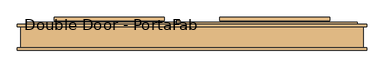
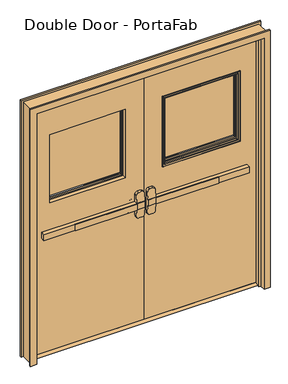
"""IFC4 building model written with IfcOpenShell, lengths in millimetres: door geometry, Double Door - PortaFab."""

from ifc_helpers import new_model, si_unit, point, frame, frame_2d, origin, place, context, project, spatial, polyline, circle_curve, ellipse_curve, trimmed, segment, composite_curve, outline, extrude, faceted_brep, source, transform, mapped, element, save
from ifc_brep_helpers import plane_surface, cylinder_surface, revolved_surface, advanced_brep


def double_door_portafab_c8f4be08(model_context):
    return source(origin(), model_context, "Body", "SolidModel", [
        extrude(outline(polyline([(-575.7333333, -17.4625), (-575.7333333, -11.1125), (-76.2, -11.1125), (-76.2, -17.4625), (-575.7333333, -17.4625)])), frame((0.0, 0.0, 990.6), z_axis=(0.0, 0.0, 1.0), x_axis=(1.0, 0.0, 0.0)), (0.0, 0.0, 1.0), 50.8),
        advanced_brep(
        [(-12.7, -11.1125, 1041.4), (-76.2, -11.1125, 1041.4), (-825.5, -11.1125, 1041.4), (-825.5, -11.1125, 990.6), (-76.2, -11.1125, 990.6), (-12.7, -11.1125, 990.6), (-825.5, 20.6375, 1041.4), (-76.2, 20.6375, 1041.4), (-76.2, 20.6375, 1104.9), (-57.15, 20.6375, 1123.95), (-31.75, 20.6375, 1123.95), (-12.7, 20.6375, 1104.9), (-12.7, 20.6375, 927.1), (-31.75, 20.6375, 908.05), (-57.15, 20.6375, 908.05), (-76.2, 20.6375, 927.1), (-76.2, 20.6375, 990.6), (-825.5, 20.6375, 990.6), (-12.7, -7.9372533, 1041.4), (-76.2, -7.9372533, 1041.4), (-12.7, -7.9372533, 990.6), (-12.7, -2.9270731, 927.1), (-12.7, -2.9270731, 1104.9), (-76.2, -7.9372533, 990.6), (-76.2, -2.9270731, 1104.9), (-76.2, -2.9270731, 927.1), (-57.15, -1.424019, 1123.95), (-31.75, -1.424019, 1123.95), (-31.75, -1.424019, 908.05), (-57.15, -1.424019, 908.05)],
        [
            (0, 1),
            (1, 2),
            (2, 3),
            (3, 4),
            (4, 5),
            (5, 0),
            (6, 7),
            (7, 8),
            (8, 9, circle_curve(frame((-57.15, 20.6375, 1104.9), z_axis=(0.0, 1.0, 0.0), x_axis=(-1.0, 0.0, 0.0)), 19.05)),
            (9, 10),
            (10, 11, circle_curve(frame((-31.75, 20.6375, 1104.9), z_axis=(0.0, 1.0, 0.0), x_axis=(-1.0, 0.0, 0.0)), 19.05)),
            (11, 12),
            (12, 13, circle_curve(frame((-31.75, 20.6375, 927.1), z_axis=(0.0, 1.0, 0.0), x_axis=(-1.0, 0.0, 0.0)), 19.05)),
            (13, 14),
            (14, 15, circle_curve(frame((-57.15, 20.6375, 927.1), z_axis=(0.0, 1.0, 0.0), x_axis=(-1.0, 0.0, 0.0)), 19.05)),
            (15, 16),
            (16, 17),
            (17, 6),
            (0, 18),
            (18, 19),
            (19, 7),
            (6, 2),
            (5, 20),
            (20, 21),
            (21, 12),
            (11, 22),
            (22, 18),
            (16, 23),
            (23, 20),
            (3, 17),
            (19, 24),
            (24, 8),
            (15, 25),
            (25, 23),
            (9, 26),
            (26, 27),
            (27, 10),
            (13, 28),
            (28, 29),
            (29, 14),
            (29, 25, ellipse_curve(frame((-57.15, -2.9270731, 927.1), z_axis=(0.0, 0.9969018152893365, 0.07865602756830282), x_axis=(0.0, -0.07865602756830208, 0.9969018152893365)), 19.1092038, 19.05)),
            (24, 26, ellipse_curve(frame((-57.15, -2.9270731, 1104.9), z_axis=(0.0, 0.9969018152893376, -0.07865602756828934), x_axis=(0.0, -0.078656027568288, -0.9969018152893377)), 19.1092038, 19.05)),
            (27, 22, ellipse_curve(frame((-31.75, -2.9270731, 1104.9), z_axis=(0.0, 0.9969018152893376, -0.07865602756828934), x_axis=(0.0, -0.078656027568288, -0.9969018152893377)), 19.1092038, 19.05)),
            (21, 28, ellipse_curve(frame((-31.75, -2.9270731, 927.1), z_axis=(0.0, 0.9969018152893365, 0.07865602756830282), x_axis=(0.0, -0.07865602756830208, 0.9969018152893365)), 19.1092038, 19.05)),
        ],
        [
            plane_surface(frame((-12.7, -11.1125, 1041.4), z_axis=(0.0, -1.0, 0.0), x_axis=(1.0, 0.0, 0.0))),
            plane_surface(frame((-12.7, 20.6375, 1041.4), z_axis=(0.0, 1.0, 0.0), x_axis=(-1.0, 0.0, 0.0))),
            plane_surface(frame((-825.5, -11.1125, 1041.4), z_axis=(0.0, 0.0, 1.0), x_axis=(0.0, 1.0, 0.0))),
            plane_surface(frame((-12.7, -11.1125, 1041.4), z_axis=(1.0, 0.0, 0.0), x_axis=(0.0, 1.0, 0.0))),
            plane_surface(frame((-12.7, -11.1125, 990.6), z_axis=(0.0, 0.0, -1.0), x_axis=(0.0, 1.0, 0.0))),
            plane_surface(frame((-825.5, -11.1125, 990.6), z_axis=(-1.0, 0.0, 0.0), x_axis=(0.0, 1.0, 0.0))),
            plane_surface(frame((-76.2, -7.9372533, 927.1), z_axis=(-1.0, 0.0, 0.0), x_axis=(0.0, 1.0, 0.0))),
            plane_surface(frame((-57.15, -7.9372533, 1123.95), z_axis=(0.0, 0.0, 1.0), x_axis=(0.0, 1.0, 0.0))),
            plane_surface(frame((-31.75, -7.9372533, 908.05), z_axis=(0.0, 0.0, -1.0), x_axis=(0.0, 1.0, 0.0))),
            cylinder_surface(frame((-57.15, 20.6375, 927.1), z_axis=(0.0, -1.0, 0.0), x_axis=(-1.0, 0.0, 0.0)), 19.05),
            cylinder_surface(frame((-57.15, 20.6375, 1104.9), z_axis=(0.0, -1.0, 0.0), x_axis=(-1.0, 0.0, 0.0)), 19.05),
            cylinder_surface(frame((-31.75, 20.6375, 1104.9), z_axis=(0.0, -1.0, 0.0), x_axis=(-1.0, 0.0, 0.0)), 19.05),
            cylinder_surface(frame((-31.75, 20.6375, 927.1), z_axis=(0.0, -1.0, 0.0), x_axis=(-1.0, 0.0, 0.0)), 19.05),
            plane_surface(frame((-76.2, -7.9372533, 1041.4), z_axis=(0.0, -0.9969018152893376, 0.07865602756828934), x_axis=(1.0, 0.0, 0.0))),
            plane_surface(frame((-76.2, -1.424019, 908.05), z_axis=(0.0, -0.9969018152893365, -0.07865602756830282), x_axis=(1.0, 0.0, 0.0))),
        ],
        [
            (0, [[1, 2, 3, 4, 5, 6]]),
            (1, [[7, 8, 9, 10, 11, 12, 13, 14, 15, 16, 17, 18]]),
            (2, [[-2, -1, 19, 20, 21, -7, 22]]),
            (3, [[23, 24, 25, -12, 26, 27, -19, -6]]),
            (4, [[-17, 28, 29, -23, -5, -4, 30]]),
            (5, [[-22, -18, -30, -3]]),
            (6, [[-21, 31, 32, -8]]),
            (6, [[33, 34, -28, -16]]),
            (7, [[35, 36, 37, -10]]),
            (8, [[38, 39, 40, -14]]),
            (9, [[-40, 41, -33, -15]]),
            (10, [[-32, 42, -35, -9]]),
            (11, [[-37, 43, -26, -11]]),
            (12, [[-25, 44, -38, -13]]),
            (13, [[-27, -43, -36, -42, -31, -20]]),
            (14, [[-29, -34, -41, -39, -44, -24]]),
        ],
    ),
        extrude(outline(polyline([(65.0875, 12.7), (90.4875, 0.0), (-4.7625, 0.0), (20.6375, 12.7), (65.0875, 12.7)])), frame((-914.4, 0.0, 0.0), z_axis=(1.0, 0.0, 0.0), x_axis=(0.0, 1.0, 0.0)), (0.0, 0.0, 1.0), 1828.8),
        extrude(outline(polyline([(575.7333333, -17.4625), (76.2, -17.4625), (76.2, -11.1125), (575.7333333, -11.1125), (575.7333333, -17.4625)])), frame((0.0, 0.0, 990.6), z_axis=(0.0, 0.0, 1.0), x_axis=(1.0, 0.0, 0.0)), (0.0, 0.0, 1.0), 50.8),
        advanced_brep(
        [(12.7, -11.1125, 1041.4), (12.7, -11.1125, 990.6), (76.2, -11.1125, 990.6), (825.5, -11.1125, 990.6), (825.5, -11.1125, 1041.4), (76.2, -11.1125, 1041.4), (825.5, 20.6375, 1041.4), (825.5, 20.6375, 990.6), (76.2, 20.6375, 990.6), (76.2, 20.6375, 927.1), (57.15, 20.6375, 908.05), (31.75, 20.6375, 908.05), (12.7, 20.6375, 927.1), (12.7, 20.6375, 1104.9), (31.75, 20.6375, 1123.95), (57.15, 20.6375, 1123.95), (76.2, 20.6375, 1104.9), (76.2, 20.6375, 1041.4), (76.2, -7.9372533, 1041.4), (12.7, -7.9372533, 1041.4), (12.7, -2.9270731, 1104.9), (12.7, -2.9270731, 927.1), (12.7, -7.9372533, 990.6), (76.2, -7.9372533, 990.6), (76.2, -2.9270731, 927.1), (76.2, -2.9270731, 1104.9), (31.75, -1.424019, 1123.95), (57.15, -1.424019, 1123.95), (57.15, -1.424019, 908.05), (31.75, -1.424019, 908.05)],
        [
            (0, 1),
            (1, 2),
            (2, 3),
            (3, 4),
            (4, 5),
            (5, 0),
            (6, 7),
            (7, 8),
            (8, 9),
            (9, 10, circle_curve(frame((57.15, 20.6375, 927.1), z_axis=(0.0, 1.0, 0.0), x_axis=(1.0, 0.0, 0.0)), 19.05)),
            (10, 11),
            (11, 12, circle_curve(frame((31.75, 20.6375, 927.1), z_axis=(0.0, 1.0, 0.0), x_axis=(1.0, 0.0, 0.0)), 19.05)),
            (12, 13),
            (13, 14, circle_curve(frame((31.75, 20.6375, 1104.9), z_axis=(0.0, 1.0, 0.0), x_axis=(1.0, 0.0, 0.0)), 19.05)),
            (14, 15),
            (15, 16, circle_curve(frame((57.15, 20.6375, 1104.9), z_axis=(0.0, 1.0, 0.0), x_axis=(1.0, 0.0, 0.0)), 19.05)),
            (16, 17),
            (17, 6),
            (4, 6),
            (17, 18),
            (18, 19),
            (19, 0),
            (19, 20),
            (20, 13),
            (12, 21),
            (21, 22),
            (22, 1),
            (7, 3),
            (22, 23),
            (23, 8),
            (23, 24),
            (24, 9),
            (16, 25),
            (25, 18),
            (14, 26),
            (26, 27),
            (27, 15),
            (10, 28),
            (28, 29),
            (29, 11),
            (24, 28, ellipse_curve(frame((57.15, -2.9270731, 927.1), z_axis=(0.0, 0.9969018152893365, 0.07865602756830282), x_axis=(0.0, -0.07865602756830208, 0.9969018152893365)), 19.1092038, 19.05)),
            (27, 25, ellipse_curve(frame((57.15, -2.9270731, 1104.9), z_axis=(0.0, 0.9969018152893376, -0.07865602756828934), x_axis=(0.0, -0.078656027568288, -0.9969018152893377)), 19.1092038, 19.05)),
            (20, 26, ellipse_curve(frame((31.75, -2.9270731, 1104.9), z_axis=(0.0, 0.9969018152893376, -0.07865602756828934), x_axis=(0.0, -0.078656027568288, -0.9969018152893377)), 19.1092038, 19.05)),
            (29, 21, ellipse_curve(frame((31.75, -2.9270731, 927.1), z_axis=(0.0, 0.9969018152893365, 0.07865602756830282), x_axis=(0.0, -0.07865602756830208, 0.9969018152893365)), 19.1092038, 19.05)),
        ],
        [
            plane_surface(frame((12.7, -11.1125, 1041.4), z_axis=(0.0, -1.0, 0.0), x_axis=(-1.0, 0.0, 0.0))),
            plane_surface(frame((12.7, 20.6375, 1041.4), z_axis=(0.0, 1.0, 0.0), x_axis=(1.0, 0.0, 0.0))),
            plane_surface(frame((825.5, -11.1125, 1041.4), z_axis=(0.0, 0.0, 1.0), x_axis=(0.0, 1.0, 0.0))),
            plane_surface(frame((12.7, -11.1125, 1041.4), z_axis=(-1.0, 0.0, 0.0), x_axis=(0.0, 1.0, 0.0))),
            plane_surface(frame((12.7, -11.1125, 990.6), z_axis=(0.0, 0.0, -1.0), x_axis=(0.0, 1.0, 0.0))),
            plane_surface(frame((825.5, -11.1125, 990.6), z_axis=(1.0, 0.0, 0.0), x_axis=(0.0, 1.0, 0.0))),
            plane_surface(frame((76.2, -7.9372533, 927.1), z_axis=(1.0, 0.0, 0.0), x_axis=(0.0, 1.0, 0.0))),
            plane_surface(frame((57.15, -7.9372533, 1123.95), z_axis=(0.0, 0.0, 1.0), x_axis=(0.0, 1.0, 0.0))),
            plane_surface(frame((31.75, -7.9372533, 908.05), z_axis=(0.0, 0.0, -1.0), x_axis=(0.0, 1.0, 0.0))),
            cylinder_surface(frame((57.15, 20.6375, 927.1), z_axis=(0.0, -1.0, 0.0), x_axis=(1.0, 0.0, 0.0)), 19.05),
            cylinder_surface(frame((57.15, 20.6375, 1104.9), z_axis=(0.0, -1.0, 0.0), x_axis=(1.0, 0.0, 0.0)), 19.05),
            cylinder_surface(frame((31.75, 20.6375, 1104.9), z_axis=(0.0, -1.0, 0.0), x_axis=(1.0, 0.0, 0.0)), 19.05),
            cylinder_surface(frame((31.75, 20.6375, 927.1), z_axis=(0.0, -1.0, 0.0), x_axis=(1.0, 0.0, 0.0)), 19.05),
            plane_surface(frame((76.2, -7.9372533, 1041.4), z_axis=(0.0, -0.9969018152893376, 0.07865602756828934), x_axis=(-1.0, 0.0, 0.0))),
            plane_surface(frame((76.2, -1.424019, 908.05), z_axis=(0.0, -0.9969018152893365, -0.07865602756830282), x_axis=(-1.0, 0.0, 0.0))),
        ],
        [
            (0, [[1, 2, 3, 4, 5, 6]]),
            (1, [[7, 8, 9, 10, 11, 12, 13, 14, 15, 16, 17, 18]]),
            (2, [[19, -18, 20, 21, 22, -6, -5]]),
            (3, [[-1, -22, 23, 24, -13, 25, 26, 27]]),
            (4, [[28, -3, -2, -27, 29, 30, -8]]),
            (5, [[-4, -28, -7, -19]]),
            (6, [[-9, -30, 31, 32]]),
            (6, [[-17, 33, 34, -20]]),
            (7, [[-15, 35, 36, 37]]),
            (8, [[-11, 38, 39, 40]]),
            (9, [[-10, -32, 41, -38]]),
            (10, [[-16, -37, 42, -33]]),
            (11, [[-14, -24, 43, -35]]),
            (12, [[-12, -40, 44, -25]]),
            (13, [[-21, -34, -42, -36, -43, -23]]),
            (14, [[-26, -44, -39, -41, -31, -29]]),
        ],
    ),
        advanced_brep(
        [(-86.2, 57.15, 1017.190625), (-86.2, 57.15, 1014.809375), (-82.628125, 57.15, 1011.2375), (-69.7715406, 57.15, 1011.2375), (-66.2, 57.15, 1014.8090406), (-66.2, 57.15, 1017.190625), (-69.771875, 57.15, 1020.7625), (-82.628125, 57.15, 1020.7625), (-86.2, 57.15, 887.809375), (-82.628125, 57.15, 884.2375), (-69.771875, 57.15, 884.2375), (-66.2, 57.15, 887.809375), (-66.2, 57.15, 890.1909594), (-69.7715406, 57.15, 893.7625), (-82.628125, 57.15, 893.7625), (-86.2, 57.15, 890.190625), (-86.2, 82.55, 1017.190625), (-86.2, 96.440625, 1003.3), (-86.2, 96.440625, 901.7), (-86.2, 82.55, 887.809375), (-86.2, 82.55, 890.190625), (-86.2, 94.059375, 901.7), (-86.2, 94.059375, 1003.3), (-86.2, 82.55, 1014.809375), (-82.628125, 82.55, 1011.2375), (-69.7715406, 82.55, 1011.2375), (-66.2, 82.55, 1014.8090406), (-66.2, 94.0590406, 1003.3), (-66.2, 94.0590406, 901.7), (-66.2, 82.55, 890.1909594), (-66.2, 82.55, 887.809375), (-66.2, 96.440625, 901.7), (-66.2, 96.440625, 1003.3), (-66.2, 82.55, 1017.190625), (-69.771875, 82.55, 1020.7625), (-82.628125, 82.55, 1020.7625), (-82.628125, 90.4875, 1003.3), (-69.7715406, 90.4875, 1003.3), (-69.771875, 100.0125, 1003.3), (-82.628125, 100.0125, 1003.3), (-82.628125, 90.4875, 901.7), (-69.7715406, 90.4875, 901.7), (-69.771875, 100.0125, 901.7), (-82.628125, 100.0125, 901.7), (-82.628125, 82.55, 893.7625), (-69.7715406, 82.55, 893.7625), (-69.771875, 82.55, 884.2375), (-82.628125, 82.55, 884.2375)],
        [
            (0, 1),
            (1, 2, circle_curve(frame((-82.628125, 57.15, 1014.809375), z_axis=(0.0, -1.0, 0.0), x_axis=(0.0, 0.0, 1.0)), 3.571875)),
            (2, 3),
            (3, 4, circle_curve(frame((-69.7715406, 57.15, 1014.8090406), z_axis=(0.0, -1.0, 0.0), x_axis=(0.0, 0.0, 1.0)), 3.5715406)),
            (4, 5),
            (5, 6, circle_curve(frame((-69.771875, 57.15, 1017.190625), z_axis=(0.0, -1.0, 0.0), x_axis=(0.0, 0.0, 1.0)), 3.571875)),
            (6, 7),
            (7, 0, circle_curve(frame((-82.628125, 57.15, 1017.190625), z_axis=(0.0, -1.0, 0.0), x_axis=(0.0, 0.0, 1.0)), 3.571875)),
            (8, 9, circle_curve(frame((-82.628125, 57.15, 887.809375), z_axis=(0.0, -1.0, 0.0), x_axis=(0.0, 0.0, -1.0)), 3.571875)),
            (9, 10),
            (10, 11, circle_curve(frame((-69.771875, 57.15, 887.809375), z_axis=(0.0, -1.0, 0.0), x_axis=(0.0, 0.0, -1.0)), 3.571875)),
            (11, 12),
            (12, 13, circle_curve(frame((-69.7715406, 57.15, 890.1909594), z_axis=(0.0, -1.0, 0.0), x_axis=(0.0, 0.0, -1.0)), 3.5715406)),
            (13, 14),
            (14, 15, circle_curve(frame((-82.628125, 57.15, 890.190625), z_axis=(0.0, -1.0, 0.0), x_axis=(0.0, 0.0, -1.0)), 3.571875)),
            (15, 8),
            (0, 16),
            (16, 17, circle_curve(frame((-86.2, 82.55, 1003.3), z_axis=(-1.0, 0.0, 0.0), x_axis=(0.0, 0.0, 1.0)), 13.890625)),
            (17, 18),
            (18, 19, circle_curve(frame((-86.2, 82.55, 901.7), z_axis=(-1.0, 0.0, 0.0), x_axis=(0.0, 1.0, 0.0)), 13.890625)),
            (19, 8),
            (15, 20),
            (20, 21, circle_curve(frame((-86.2, 82.55, 901.7), z_axis=(1.0, 0.0, 0.0), x_axis=(0.0, 1.0, 0.0)), 11.509375)),
            (21, 22),
            (22, 23, circle_curve(frame((-86.2, 82.55, 1003.3), z_axis=(1.0, 0.0, 0.0), x_axis=(0.0, 0.0, 1.0)), 11.509375)),
            (23, 1),
            (23, 24, circle_curve(frame((-82.628125, 82.55, 1014.809375), z_axis=(0.0, -1.0, 0.0), x_axis=(0.0, 0.0, 1.0)), 3.571875)),
            (24, 2),
            (24, 25),
            (25, 3),
            (25, 26, circle_curve(frame((-69.7715406, 82.55, 1014.8090406), z_axis=(0.0, -1.0, 0.0), x_axis=(0.0, 0.0, 1.0)), 3.5715406)),
            (26, 4),
            (26, 27, circle_curve(frame((-66.2, 82.55, 1003.3), z_axis=(-1.0, 0.0, 0.0), x_axis=(0.0, 0.0, 1.0)), 11.5090406)),
            (27, 28),
            (28, 29, circle_curve(frame((-66.2, 82.55, 901.7), z_axis=(-1.0, 0.0, 0.0), x_axis=(0.0, 1.0, 0.0)), 11.5090406)),
            (29, 12),
            (11, 30),
            (30, 31, circle_curve(frame((-66.2, 82.55, 901.7), z_axis=(1.0, 0.0, 0.0), x_axis=(0.0, 1.0, 0.0)), 13.890625)),
            (31, 32),
            (32, 33, circle_curve(frame((-66.2, 82.55, 1003.3), z_axis=(1.0, 0.0, 0.0), x_axis=(0.0, 0.0, 1.0)), 13.890625)),
            (33, 5),
            (33, 34, circle_curve(frame((-69.771875, 82.55, 1017.190625), z_axis=(0.0, -1.0, 0.0), x_axis=(0.0, 0.0, 1.0)), 3.571875)),
            (34, 6),
            (34, 35),
            (35, 7),
            (35, 16, circle_curve(frame((-82.628125, 82.55, 1017.190625), z_axis=(0.0, -1.0, 0.0), x_axis=(0.0, 0.0, 1.0)), 3.571875)),
            (36, 24, circle_curve(frame((-82.628125, 82.55, 1003.3), z_axis=(1.0, 0.0, 0.0), x_axis=(0.0, 0.0, 1.0)), 7.9375)),
            (22, 36, circle_curve(frame((-82.628125, 94.059375, 1003.3), z_axis=(0.0, 0.0, 1.0), x_axis=(0.0, 1.0, 0.0)), 3.571875)),
            (37, 25, circle_curve(frame((-69.7715406, 82.55, 1003.3), z_axis=(1.0, 0.0, 0.0), x_axis=(0.0, 0.0, 1.0)), 7.9375)),
            (36, 37),
            (37, 27, circle_curve(frame((-69.7715406, 94.0590406, 1003.3), z_axis=(0.0, 0.0, 1.0), x_axis=(0.0, 1.0, 0.0)), 3.5715406)),
            (38, 34, circle_curve(frame((-69.771875, 82.55, 1003.3), z_axis=(1.0, 0.0, 0.0), x_axis=(0.0, 0.0, 1.0)), 17.4625)),
            (32, 38, circle_curve(frame((-69.771875, 96.440625, 1003.3), z_axis=(0.0, 0.0, 1.0), x_axis=(0.0, 1.0, 0.0)), 3.571875)),
            (39, 35, circle_curve(frame((-82.628125, 82.55, 1003.3), z_axis=(1.0, 0.0, 0.0), x_axis=(0.0, 0.0, 1.0)), 17.4625)),
            (38, 39),
            (39, 17, circle_curve(frame((-82.628125, 96.440625, 1003.3), z_axis=(0.0, 0.0, 1.0), x_axis=(0.0, 1.0, 0.0)), 3.571875)),
            (21, 40, circle_curve(frame((-82.628125, 94.059375, 901.7), z_axis=(0.0, 0.0, 1.0), x_axis=(0.0, 1.0, 0.0)), 3.571875)),
            (40, 36),
            (40, 41),
            (41, 37),
            (41, 28, circle_curve(frame((-69.7715406, 94.0590406, 901.7), z_axis=(0.0, 0.0, 1.0), x_axis=(0.0, 1.0, 0.0)), 3.5715406)),
            (31, 42, circle_curve(frame((-69.771875, 96.440625, 901.7), z_axis=(0.0, 0.0, 1.0), x_axis=(0.0, 1.0, 0.0)), 3.571875)),
            (42, 38),
            (42, 43),
            (43, 39),
            (43, 18, circle_curve(frame((-82.628125, 96.440625, 901.7), z_axis=(0.0, 0.0, 1.0), x_axis=(0.0, 1.0, 0.0)), 3.571875)),
            (44, 40, circle_curve(frame((-82.628125, 82.55, 901.7), z_axis=(1.0, 0.0, 0.0), x_axis=(0.0, 1.0, 0.0)), 7.9375)),
            (20, 44, circle_curve(frame((-82.628125, 82.55, 890.190625), z_axis=(0.0, 1.0, 0.0), x_axis=(0.0, 0.0, -1.0)), 3.571875)),
            (45, 41, circle_curve(frame((-69.7715406, 82.55, 901.7), z_axis=(1.0, 0.0, 0.0), x_axis=(0.0, 1.0, 0.0)), 7.9375)),
            (44, 45),
            (45, 29, circle_curve(frame((-69.7715406, 82.55, 890.1909594), z_axis=(0.0, 1.0, 0.0), x_axis=(0.0, 0.0, -1.0)), 3.5715406)),
            (46, 42, circle_curve(frame((-69.771875, 82.55, 901.7), z_axis=(1.0, 0.0, 0.0), x_axis=(0.0, 1.0, 0.0)), 17.4625)),
            (30, 46, circle_curve(frame((-69.771875, 82.55, 887.809375), z_axis=(0.0, 1.0, 0.0), x_axis=(0.0, 0.0, -1.0)), 3.571875)),
            (47, 43, circle_curve(frame((-82.628125, 82.55, 901.7), z_axis=(1.0, 0.0, 0.0), x_axis=(0.0, 1.0, 0.0)), 17.4625)),
            (46, 47),
            (47, 19, circle_curve(frame((-82.628125, 82.55, 887.809375), z_axis=(0.0, 1.0, 0.0), x_axis=(0.0, 0.0, -1.0)), 3.571875)),
            (14, 44),
            (13, 45),
            (10, 46),
            (9, 47),
        ],
        [
            plane_surface(frame((-76.2, 57.15, 1016.0), z_axis=(0.0, -1.0, 0.0), x_axis=(1.0, 0.0, 0.0))),
            plane_surface(frame((-76.2, 57.15, 889.0), z_axis=(0.0, -1.0, 0.0), x_axis=(1.0, 0.0, 0.0))),
            plane_surface(frame((-86.2, 57.15, 1017.190625), z_axis=(-1.0, 0.0, 0.0), x_axis=(0.0, 1.0, 0.0))),
            cylinder_surface(frame((-82.628125, 57.15, 1014.809375), z_axis=(0.0, -1.0, 0.0), x_axis=(0.0, 0.0, 1.0)), 3.571875),
            plane_surface(frame((-82.628125, 57.15, 1011.2375), z_axis=(0.0, 0.0, -1.0), x_axis=(0.0, 1.0, 0.0))),
            cylinder_surface(frame((-69.7715406, 57.15, 1014.8090406), z_axis=(0.0, -1.0, 0.0), x_axis=(0.0, 0.0, 1.0)), 3.5715406),
            plane_surface(frame((-66.2, 57.15, 1014.8090406), z_axis=(1.0, 0.0, 0.0), x_axis=(0.0, 1.0, 0.0))),
            cylinder_surface(frame((-69.771875, 57.15, 1017.190625), z_axis=(0.0, -1.0, 0.0), x_axis=(0.0, 0.0, 1.0)), 3.571875),
            plane_surface(frame((-69.771875, 57.15, 1020.7625), z_axis=(0.0, 0.0, 1.0), x_axis=(0.0, 1.0, 0.0))),
            cylinder_surface(frame((-82.628125, 57.15, 1017.190625), z_axis=(0.0, -1.0, 0.0), x_axis=(0.0, 0.0, 1.0)), 3.571875),
            revolved_surface(trimmed(ellipse_curve(frame((-82.628125, 82.55, 1014.809375), z_axis=(0.0, -1.0, 0.0), x_axis=(0.0, 0.0, 1.0)), 3.571875, 3.571875), [point((-86.2, 82.55, 1014.809375))], [point((-82.628125, 82.55, 1011.2375))], True, "CARTESIAN"), (-76.2, 82.55, 1003.3), (-1.0, 0.0, 0.0)),
            revolved_surface(polyline([(-82.628125, 82.55, 1011.2375), (-69.7715406, 82.55, 1011.2375)]), (-76.2, 82.55, 1003.3), (-1.0, 0.0, 0.0)),
            revolved_surface(trimmed(ellipse_curve(frame((-69.7715406, 82.55, 1014.8090406), z_axis=(0.0, -1.0, 0.0), x_axis=(0.0, 0.0, 1.0)), 3.5715406, 3.5715406), [point((-69.7715406, 82.55, 1011.2375))], [point((-66.2, 82.55, 1014.8090406))], True, "CARTESIAN"), (-76.2, 82.55, 1003.3), (-1.0, 0.0, 0.0)),
            revolved_surface(trimmed(ellipse_curve(frame((-69.771875, 82.55, 1017.190625), z_axis=(0.0, -1.0, 0.0), x_axis=(0.0, 0.0, 1.0)), 3.571875, 3.571875), [point((-66.2, 82.55, 1017.190625))], [point((-69.771875, 82.55, 1020.7625))], True, "CARTESIAN"), (-76.2, 82.55, 1003.3), (-1.0, 0.0, 0.0)),
            cylinder_surface(frame((-76.2, 82.55, 1003.3), z_axis=(-1.0, 0.0, 0.0), x_axis=(0.0, 0.0, 1.0)), 17.4625),
            revolved_surface(trimmed(ellipse_curve(frame((-82.628125, 82.55, 1017.190625), z_axis=(0.0, -1.0, 0.0), x_axis=(0.0, 0.0, 1.0)), 3.571875, 3.571875), [point((-82.628125, 82.55, 1020.7625))], [point((-86.2, 82.55, 1017.190625))], True, "CARTESIAN"), (-76.2, 82.55, 1003.3), (-1.0, 0.0, 0.0)),
            cylinder_surface(frame((-82.628125, 94.059375, 1003.3), z_axis=(0.0, 0.0, 1.0), x_axis=(0.0, 1.0, 0.0)), 3.571875),
            plane_surface(frame((-82.628125, 90.4875, 1003.3), z_axis=(0.0, -1.0, 0.0), x_axis=(0.0, 0.0, -1.0))),
            cylinder_surface(frame((-69.7715406, 94.0590406, 1003.3), z_axis=(0.0, 0.0, 1.0), x_axis=(0.0, 1.0, 0.0)), 3.5715406),
            cylinder_surface(frame((-69.771875, 96.440625, 1003.3), z_axis=(0.0, 0.0, 1.0), x_axis=(0.0, 1.0, 0.0)), 3.571875),
            plane_surface(frame((-69.771875, 100.0125, 1003.3), z_axis=(0.0, 1.0, 0.0), x_axis=(0.0, 0.0, -1.0))),
            cylinder_surface(frame((-82.628125, 96.440625, 1003.3), z_axis=(0.0, 0.0, 1.0), x_axis=(0.0, 1.0, 0.0)), 3.571875),
            revolved_surface(trimmed(ellipse_curve(frame((-82.628125, 94.059375, 901.7), z_axis=(0.0, 0.0, 1.0), x_axis=(0.0, 1.0, 0.0)), 3.571875, 3.571875), [point((-86.2, 94.059375, 901.7))], [point((-82.628125, 90.4875, 901.7))], True, "CARTESIAN"), (-76.2, 82.55, 901.7), (-1.0, 0.0, 0.0)),
            revolved_surface(polyline([(-82.628125, 90.4875, 901.7), (-69.7715406, 90.4875, 901.7)]), (-76.2, 82.55, 901.7), (-1.0, 0.0, 0.0)),
            revolved_surface(trimmed(ellipse_curve(frame((-69.7715406, 94.0590406, 901.7), z_axis=(0.0, 0.0, 1.0), x_axis=(0.0, 1.0, 0.0)), 3.5715406, 3.5715406), [point((-69.7715406, 90.4875, 901.7))], [point((-66.2, 94.0590406, 901.7))], True, "CARTESIAN"), (-76.2, 82.55, 901.7), (-1.0, 0.0, 0.0)),
            revolved_surface(trimmed(ellipse_curve(frame((-69.771875, 96.440625, 901.7), z_axis=(0.0, 0.0, 1.0), x_axis=(0.0, 1.0, 0.0)), 3.571875, 3.571875), [point((-66.2, 96.440625, 901.7))], [point((-69.771875, 100.0125, 901.7))], True, "CARTESIAN"), (-76.2, 82.55, 901.7), (-1.0, 0.0, 0.0)),
            cylinder_surface(frame((-76.2, 82.55, 901.7), z_axis=(-1.0, 0.0, 0.0), x_axis=(0.0, 1.0, 0.0)), 17.4625),
            revolved_surface(trimmed(ellipse_curve(frame((-82.628125, 96.440625, 901.7), z_axis=(0.0, 0.0, 1.0), x_axis=(0.0, 1.0, 0.0)), 3.571875, 3.571875), [point((-82.628125, 100.0125, 901.7))], [point((-86.2, 96.440625, 901.7))], True, "CARTESIAN"), (-76.2, 82.55, 901.7), (-1.0, 0.0, 0.0)),
            cylinder_surface(frame((-82.628125, 82.55, 890.190625), z_axis=(0.0, 1.0, 0.0), x_axis=(0.0, 0.0, -1.0)), 3.571875),
            plane_surface(frame((-82.628125, 82.55, 893.7625), z_axis=(0.0, 0.0, 1.0), x_axis=(0.0, -1.0, 0.0))),
            cylinder_surface(frame((-69.7715406, 82.55, 890.1909594), z_axis=(0.0, 1.0, 0.0), x_axis=(0.0, 0.0, -1.0)), 3.5715406),
            cylinder_surface(frame((-69.771875, 82.55, 887.809375), z_axis=(0.0, 1.0, 0.0), x_axis=(0.0, 0.0, -1.0)), 3.571875),
            plane_surface(frame((-69.771875, 82.55, 884.2375), z_axis=(0.0, 0.0, -1.0), x_axis=(0.0, -1.0, 0.0))),
            cylinder_surface(frame((-82.628125, 82.55, 887.809375), z_axis=(0.0, 1.0, 0.0), x_axis=(0.0, 0.0, -1.0)), 3.571875),
        ],
        [
            (0, [[1, 2, 3, 4, 5, 6, 7, 8]]),
            (1, [[9, 10, 11, 12, 13, 14, 15, 16]]),
            (2, [[-1, 17, 18, 19, 20, 21, -16, 22, 23, 24, 25, 26]]),
            (3, [[-2, -26, 27, 28]]),
            (4, [[-3, -28, 29, 30]]),
            (5, [[-4, -30, 31, 32]]),
            (6, [[-5, -32, 33, 34, 35, 36, -12, 37, 38, 39, 40, 41]]),
            (7, [[-6, -41, 42, 43]]),
            (8, [[-7, -43, 44, 45]]),
            (9, [[-8, -45, 46, -17]]),
            (10, [[47, -27, -25, 48]]),
            (11, [[49, -29, -47, 50]]),
            (12, [[-33, -31, -49, 51]]),
            (13, [[52, -42, -40, 53]]),
            (14, [[54, -44, -52, 55]]),
            (15, [[-18, -46, -54, 56]]),
            (16, [[-48, -24, 57, 58]]),
            (17, [[-50, -58, 59, 60]]),
            (18, [[-51, -60, 61, -34]]),
            (19, [[-53, -39, 62, 63]]),
            (20, [[-55, -63, 64, 65]]),
            (21, [[-56, -65, 66, -19]]),
            (22, [[67, -57, -23, 68]]),
            (23, [[69, -59, -67, 70]]),
            (24, [[-35, -61, -69, 71]]),
            (25, [[72, -62, -38, 73]]),
            (26, [[74, -64, -72, 75]]),
            (27, [[-20, -66, -74, 76]]),
            (28, [[-68, -22, -15, 77]]),
            (29, [[-70, -77, -14, 78]]),
            (30, [[-71, -78, -13, -36]]),
            (31, [[-73, -37, -11, 79]]),
            (32, [[-75, -79, -10, 80]]),
            (33, [[-76, -80, -9, -21]]),
        ],
    ),
        extrude(outline(composite_curve([segment(trimmed(circle_curve(frame_2d((1113.0338574, -76.2)), 89.3016225), [point((1193.8, -38.1))], [point((1193.8, -114.3))], False, "CARTESIAN"), True, "CONTINUOUS"), segment(polyline([(1193.8, -114.3), (838.2, -114.3)]), True, "CONTINUOUS"), segment(trimmed(circle_curve(frame_2d((918.9661426, -76.2)), 89.3016225), [point((838.2, -114.3))], [point((838.2, -38.1))], False, "CARTESIAN"), True, "CONTINUOUS"), segment(polyline([(838.2, -38.1), (1193.8, -38.1)]), True, "CONTINUOUS")], self_intersect=False)), frame((0.0, 44.45, 0.0), z_axis=(0.0, 1.0, 0.0), x_axis=(0.0, 0.0, 1.0)), (0.0, 0.0, 1.0), 12.7),
        faceted_brep([(914.4, 77.7875, 0.0), (965.2, 77.7875, 0.0), (965.2, 65.0875, 0.0), (946.15, 65.0875, 0.0), (946.15, -52.3875, 0.0), (965.2, -52.3875, 0.0), (965.2, -65.0875, 0.0), (914.4, -65.0875, 0.0), (914.4, -22.225, 0.0), (898.525, -22.225, 0.0), (898.525, 15.875, 0.0), (914.4, 15.875, 0.0), (914.4, 77.7875, 2133.6), (-914.4, 77.7875, 2133.6), (-914.4, 77.7875, 0.0), (-965.2, 77.7875, 0.0), (-965.2, 77.7875, 2184.4), (965.2, 77.7875, 2184.4), (965.2, 65.0875, 2184.4), (-965.2, 65.0875, 2184.4), (-965.2, 65.0875, 0.0), (-946.15, 65.0875, 0.0), (-946.15, 65.0875, 2165.35), (946.15, 65.0875, 2165.35), (946.15, -52.3875, 2165.35), (-946.15, -52.3875, 2165.35), (-946.15, -52.3875, 0.0), (-965.2, -52.3875, 0.0), (-965.2, -52.3875, 2184.4), (965.2, -52.3875, 2184.4), (965.2, -65.0875, 2184.4), (-965.2, -65.0875, 2184.4), (-965.2, -65.0875, 0.0), (-914.4, -65.0875, 0.0), (-914.4, -65.0875, 2133.6), (914.4, -65.0875, 2133.6), (914.4, -22.225, 2133.6), (-914.4, -22.225, 2133.6), (-914.4, -22.225, 0.0), (-898.525, -22.225, 0.0), (-898.525, -22.225, 2117.725), (898.525, -22.225, 2117.725), (898.525, 15.875, 2117.725), (-898.525, 15.875, 2117.725), (-898.525, 15.875, 0.0), (-914.4, 15.875, 0.0), (-914.4, 15.875, 2133.6), (914.4, 15.875, 2133.6)], [[[0, 1, 2, 3, 4, 5, 6, 7, 8, 9, 10, 11]], [[1, 0, 12, 13, 14, 15, 16, 17]], [[2, 1, 17, 18]], [[3, 2, 18, 19, 20, 21, 22, 23]], [[4, 3, 23, 24]], [[5, 4, 24, 25, 26, 27, 28, 29]], [[6, 5, 29, 30]], [[7, 6, 30, 31, 32, 33, 34, 35]], [[8, 7, 35, 36]], [[9, 8, 36, 37, 38, 39, 40, 41]], [[10, 9, 41, 42]], [[11, 10, 42, 43, 44, 45, 46, 47]], [[0, 11, 47, 12]], [[18, 17, 16, 19]], [[24, 23, 22, 25]], [[30, 29, 28, 31]], [[36, 35, 34, 37]], [[42, 41, 40, 43]], [[12, 47, 46, 13]], [[14, 45, 44, 39, 38, 33, 32, 27, 26, 21, 20, 15]], [[19, 16, 15, 20]], [[25, 22, 21, 26]], [[31, 28, 27, 32]], [[37, 34, 33, 38]], [[43, 40, 39, 44]], [[13, 46, 45, 14]]]),
        extrude(outline(polyline([(2133.6, 1.5875), (12.7, 1.5875), (12.7, 914.4), (2133.6, 914.4), (2133.6, 1.5875)]), holes=[polyline([(1851.025, 152.4), (1851.025, 762.0), (1270.0, 762.0), (1270.0, 152.4), (1851.025, 152.4)])]), frame((0.0, 20.6375, 0.0), z_axis=(0.0, 1.0, 0.0), x_axis=(0.0, 0.0, 1.0)), (0.0, 0.0, 1.0), 44.45),
        extrude(outline(polyline([(12.7, -1.5875), (2133.6, -1.5875), (2133.6, -914.4), (12.7, -914.4), (12.7, -1.5875)]), holes=[polyline([(1851.025, -762.0), (1851.025, -152.4), (1270.0, -152.4), (1270.0, -762.0), (1851.025, -762.0)])]), frame((0.0, 20.6375, 0.0), z_axis=(0.0, 1.0, 0.0), x_axis=(0.0, 0.0, 1.0)), (0.0, 0.0, 1.0), 44.45),
        extrude(outline(polyline([(762.0, 96.8375), (152.4, 96.8375), (152.4, 115.8875), (762.0, 115.8875), (762.0, 96.8375)])), frame((0.0, 0.0, 1270.0), z_axis=(0.0, 0.0, 1.0), x_axis=(1.0, 0.0, 0.0)), (0.0, 0.0, 1.0), 581.025),
        extrude(outline(polyline([(-152.4, 96.8375), (-762.0, 96.8375), (-762.0, 115.8875), (-152.4, 115.8875), (-152.4, 96.8375)])), frame((0.0, 0.0, 1270.0), z_axis=(0.0, 0.0, 1.0), x_axis=(1.0, 0.0, 0.0)), (0.0, 0.0, 1.0), 581.025),
        advanced_brep(
        [(152.4, 52.3875, 1851.025), (152.4, 65.0875, 1851.025), (152.4, 65.0875, 1270.0), (152.4, 52.3875, 1270.0), (164.4, 66.0875, 1839.025), (164.4, 52.3875, 1839.025), (164.4, 52.3875, 1282.0), (164.4, 66.0875, 1282.0), (159.4, 71.0875, 1844.025), (159.4, 71.0875, 1277.0), (144.4, 69.0875, 1859.025), (146.4, 71.0875, 1857.025), (146.4, 71.0875, 1264.0), (144.4, 69.0875, 1262.0), (144.4, 65.0875, 1859.025), (144.4, 65.0875, 1262.0), (762.0, 65.0875, 1270.0), (762.0, 52.3875, 1270.0), (750.0, 52.3875, 1282.0), (750.0, 66.0875, 1282.0), (755.0, 71.0875, 1277.0), (768.0, 71.0875, 1264.0), (770.0, 69.0875, 1262.0), (770.0, 65.0875, 1262.0), (762.0, 65.0875, 1851.025), (762.0, 52.3875, 1851.025), (750.0, 52.3875, 1839.025), (750.0, 66.0875, 1839.025), (755.0, 71.0875, 1844.025), (768.0, 71.0875, 1857.025), (770.0, 69.0875, 1859.025), (770.0, 65.0875, 1859.025)],
        [
            (0, 1),
            (1, 2),
            (2, 3),
            (3, 0),
            (4, 5),
            (5, 6),
            (6, 7),
            (7, 4),
            (8, 4, ellipse_curve(frame((159.4, 66.0875, 1844.025), z_axis=(-0.7071067811865475, 0.0, -0.7071067811865475), x_axis=(-0.7071067811865474, 0.0, 0.7071067811865476)), 7.0710678, 5.0)),
            (7, 9, ellipse_curve(frame((159.4, 66.0875, 1277.0), z_axis=(-0.7071067811865475, 0.0, 0.7071067811865475), x_axis=(0.7071067811865474, 0.0, 0.7071067811865476)), 7.0710678, 5.0)),
            (9, 8),
            (10, 11, ellipse_curve(frame((146.4, 69.0875, 1857.025), z_axis=(-0.7071067811865475, 0.0, -0.7071067811865475), x_axis=(-0.7071067811865474, 0.0, 0.7071067811865476)), 2.8284271, 2.0)),
            (11, 12),
            (12, 13, ellipse_curve(frame((146.4, 69.0875, 1264.0), z_axis=(-0.7071067811865475, 0.0, 0.7071067811865475), x_axis=(0.7071067811865474, 0.0, 0.7071067811865476)), 2.8284271, 2.0)),
            (13, 10),
            (14, 10),
            (13, 15),
            (15, 14),
            (2, 16),
            (16, 17),
            (17, 3),
            (6, 18),
            (18, 19),
            (19, 7),
            (19, 20, ellipse_curve(frame((755.0, 66.0875, 1277.0), z_axis=(-0.7071067811865475, 0.0, -0.7071067811865475), x_axis=(-0.7071067811865476, 0.0, 0.7071067811865474)), 7.0710678, 5.0)),
            (20, 9),
            (12, 21),
            (21, 22, ellipse_curve(frame((768.0, 69.0875, 1264.0), z_axis=(-0.7071067811865475, 0.0, -0.7071067811865475), x_axis=(-0.7071067811865476, 0.0, 0.7071067811865474)), 2.8284271, 2.0)),
            (22, 13),
            (22, 23),
            (23, 15),
            (16, 24),
            (24, 25),
            (25, 17),
            (18, 26),
            (26, 27),
            (27, 19),
            (27, 28, ellipse_curve(frame((755.0, 66.0875, 1844.025), z_axis=(0.7071067811865475, 0.0, -0.7071067811865475), x_axis=(-0.7071067811865474, 0.0, -0.7071067811865476)), 7.0710678, 5.0)),
            (28, 20),
            (21, 29),
            (29, 30, ellipse_curve(frame((768.0, 69.0875, 1857.025), z_axis=(0.7071067811865475, 0.0, -0.7071067811865475), x_axis=(-0.7071067811865474, 0.0, -0.7071067811865476)), 2.8284271, 2.0)),
            (30, 22),
            (30, 31),
            (31, 23),
            (31, 14),
            (1, 24),
            (0, 25),
            (5, 26),
            (4, 27),
            (8, 28),
            (11, 29),
            (10, 30),
        ],
        [
            plane_surface(frame((152.4, 65.0875, 1851.025), z_axis=(-1.0, 0.0, 0.0), x_axis=(0.0, 0.0, -1.0))),
            plane_surface(frame((164.4, 52.3875, 1839.025), z_axis=(1.0, 0.0, 0.0), x_axis=(0.0, 0.0, -1.0))),
            cylinder_surface(frame((159.4, 66.0875, 1851.025), z_axis=(0.0, 0.0, 1.0), x_axis=(-1.0, 0.0, 0.0)), 5.0),
            cylinder_surface(frame((146.4, 69.0875, 1851.025), z_axis=(0.0, 0.0, 1.0), x_axis=(-1.0, 0.0, 0.0)), 2.0),
            plane_surface(frame((144.4, 69.0875, 1859.025), z_axis=(-1.0, 0.0, 0.0), x_axis=(0.0, 0.0, -1.0))),
            plane_surface(frame((152.4, 65.0875, 1270.0), z_axis=(0.0, 0.0, -1.0), x_axis=(1.0, 0.0, 0.0))),
            plane_surface(frame((164.4, 52.3875, 1282.0), z_axis=(0.0, 0.0, 1.0), x_axis=(1.0, 0.0, 0.0))),
            cylinder_surface(frame((152.4, 66.0875, 1277.0), z_axis=(-1.0, 0.0, 0.0), x_axis=(0.0, 0.0, -1.0)), 5.0),
            cylinder_surface(frame((152.4, 69.0875, 1264.0), z_axis=(-1.0, 0.0, 0.0), x_axis=(0.0, 0.0, -1.0)), 2.0),
            plane_surface(frame((144.4, 69.0875, 1262.0), z_axis=(0.0, 0.0, -1.0), x_axis=(1.0, 0.0, 0.0))),
            plane_surface(frame((762.0, 65.0875, 1270.0), z_axis=(1.0, 0.0, 0.0), x_axis=(0.0, 0.0, 1.0))),
            plane_surface(frame((750.0, 52.3875, 1282.0), z_axis=(-1.0, 0.0, 0.0), x_axis=(0.0, 0.0, 1.0))),
            cylinder_surface(frame((755.0, 66.0875, 1270.0), z_axis=(0.0, 0.0, -1.0), x_axis=(1.0, 0.0, 0.0)), 5.0),
            cylinder_surface(frame((768.0, 69.0875, 1270.0), z_axis=(0.0, 0.0, -1.0), x_axis=(1.0, 0.0, 0.0)), 2.0),
            plane_surface(frame((770.0, 69.0875, 1262.0), z_axis=(1.0, 0.0, 0.0), x_axis=(0.0, 0.0, 1.0))),
            plane_surface(frame((770.0, 65.0875, 1859.025), z_axis=(0.0, -1.0, 0.0), x_axis=(-1.0, 0.0, 0.0))),
            plane_surface(frame((762.0, 65.0875, 1851.025), z_axis=(0.0, 0.0, 1.0), x_axis=(-1.0, 0.0, 0.0))),
            plane_surface(frame((762.0, 52.3875, 1851.025), z_axis=(0.0, -1.0, 0.0), x_axis=(-1.0, 0.0, 0.0))),
            plane_surface(frame((750.0, 52.3875, 1839.025), z_axis=(0.0, 0.0, -1.0), x_axis=(-1.0, 0.0, 0.0))),
            cylinder_surface(frame((762.0, 66.0875, 1844.025), z_axis=(1.0, 0.0, 0.0), x_axis=(0.0, 0.0, 1.0)), 5.0),
            plane_surface(frame((755.0, 71.0875, 1844.025), z_axis=(0.0, 1.0, 0.0), x_axis=(-1.0, 0.0, 0.0))),
            cylinder_surface(frame((762.0, 69.0875, 1857.025), z_axis=(1.0, 0.0, 0.0), x_axis=(0.0, 0.0, 1.0)), 2.0),
            plane_surface(frame((770.0, 69.0875, 1859.025), z_axis=(0.0, 0.0, 1.0), x_axis=(-1.0, 0.0, 0.0))),
        ],
        [
            (0, [[1, 2, 3, 4]]),
            (1, [[5, 6, 7, 8]]),
            (2, [[9, -8, 10, 11]]),
            (3, [[12, 13, 14, 15]]),
            (4, [[16, -15, 17, 18]]),
            (5, [[-3, 19, 20, 21]]),
            (6, [[-7, 22, 23, 24]]),
            (7, [[-10, -24, 25, 26]]),
            (8, [[-14, 27, 28, 29]]),
            (9, [[-17, -29, 30, 31]]),
            (10, [[-20, 32, 33, 34]]),
            (11, [[-23, 35, 36, 37]]),
            (12, [[-25, -37, 38, 39]]),
            (13, [[-28, 40, 41, 42]]),
            (14, [[-30, -42, 43, 44]]),
            (15, [[-31, -44, 45, -18], [46, -32, -19, -2]]),
            (16, [[-33, -46, -1, 47]]),
            (17, [[-21, -34, -47, -4], [48, -35, -22, -6]]),
            (18, [[-36, -48, -5, 49]]),
            (19, [[-38, -49, -9, 50]]),
            (20, [[51, -40, -27, -13], [-26, -39, -50, -11]]),
            (21, [[-41, -51, -12, 52]]),
            (22, [[-43, -52, -16, -45]]),
        ],
    ),
        advanced_brep(
        [(-762.0, 52.3875, 1851.025), (-762.0, 65.0875, 1851.025), (-762.0, 65.0875, 1270.0), (-762.0, 52.3875, 1270.0), (-750.0, 66.0875, 1839.025), (-750.0, 52.3875, 1839.025), (-750.0, 52.3875, 1282.0), (-750.0, 66.0875, 1282.0), (-755.0, 71.0875, 1844.025), (-755.0, 71.0875, 1277.0), (-770.0, 69.0875, 1859.025), (-768.0, 71.0875, 1857.025), (-768.0, 71.0875, 1264.0), (-770.0, 69.0875, 1262.0), (-770.0, 65.0875, 1859.025), (-770.0, 65.0875, 1262.0), (-152.4, 65.0875, 1270.0), (-152.4, 52.3875, 1270.0), (-164.4, 52.3875, 1282.0), (-164.4, 66.0875, 1282.0), (-159.4, 71.0875, 1277.0), (-146.4, 71.0875, 1264.0), (-144.4, 69.0875, 1262.0), (-144.4, 65.0875, 1262.0), (-152.4, 65.0875, 1851.025), (-152.4, 52.3875, 1851.025), (-164.4, 52.3875, 1839.025), (-164.4, 66.0875, 1839.025), (-159.4, 71.0875, 1844.025), (-146.4, 71.0875, 1857.025), (-144.4, 69.0875, 1859.025), (-144.4, 65.0875, 1859.025)],
        [
            (0, 1),
            (1, 2),
            (2, 3),
            (3, 0),
            (4, 5),
            (5, 6),
            (6, 7),
            (7, 4),
            (8, 4, ellipse_curve(frame((-755.0, 66.0875, 1844.025), z_axis=(-0.7071067811865475, 0.0, -0.7071067811865475), x_axis=(-0.7071067811865474, 0.0, 0.7071067811865476)), 7.0710678, 5.0)),
            (7, 9, ellipse_curve(frame((-755.0, 66.0875, 1277.0), z_axis=(-0.7071067811865475, 0.0, 0.7071067811865475), x_axis=(0.7071067811865474, 0.0, 0.7071067811865476)), 7.0710678, 5.0)),
            (9, 8),
            (10, 11, ellipse_curve(frame((-768.0, 69.0875, 1857.025), z_axis=(-0.7071067811865475, 0.0, -0.7071067811865475), x_axis=(-0.7071067811865474, 0.0, 0.7071067811865476)), 2.8284271, 2.0)),
            (11, 12),
            (12, 13, ellipse_curve(frame((-768.0, 69.0875, 1264.0), z_axis=(-0.7071067811865475, 0.0, 0.7071067811865475), x_axis=(0.7071067811865474, 0.0, 0.7071067811865476)), 2.8284271, 2.0)),
            (13, 10),
            (14, 10),
            (13, 15),
            (15, 14),
            (2, 16),
            (16, 17),
            (17, 3),
            (6, 18),
            (18, 19),
            (19, 7),
            (19, 20, ellipse_curve(frame((-159.4, 66.0875, 1277.0), z_axis=(-0.7071067811865475, 0.0, -0.7071067811865475), x_axis=(-0.7071067811865476, 0.0, 0.7071067811865474)), 7.0710678, 5.0)),
            (20, 9),
            (12, 21),
            (21, 22, ellipse_curve(frame((-146.4, 69.0875, 1264.0), z_axis=(-0.7071067811865475, 0.0, -0.7071067811865475), x_axis=(-0.7071067811865476, 0.0, 0.7071067811865474)), 2.8284271, 2.0)),
            (22, 13),
            (22, 23),
            (23, 15),
            (16, 24),
            (24, 25),
            (25, 17),
            (18, 26),
            (26, 27),
            (27, 19),
            (27, 28, ellipse_curve(frame((-159.4, 66.0875, 1844.025), z_axis=(0.7071067811865475, 0.0, -0.7071067811865475), x_axis=(-0.7071067811865474, 0.0, -0.7071067811865476)), 7.0710678, 5.0)),
            (28, 20),
            (21, 29),
            (29, 30, ellipse_curve(frame((-146.4, 69.0875, 1857.025), z_axis=(0.7071067811865475, 0.0, -0.7071067811865475), x_axis=(-0.7071067811865474, 0.0, -0.7071067811865476)), 2.8284271, 2.0)),
            (30, 22),
            (30, 31),
            (31, 23),
            (31, 14),
            (1, 24),
            (0, 25),
            (5, 26),
            (4, 27),
            (8, 28),
            (11, 29),
            (10, 30),
        ],
        [
            plane_surface(frame((-762.0, 65.0875, 1851.025), z_axis=(-1.0, 0.0, 0.0), x_axis=(0.0, 0.0, -1.0))),
            plane_surface(frame((-750.0, 52.3875, 1839.025), z_axis=(1.0, 0.0, 0.0), x_axis=(0.0, 0.0, -1.0))),
            cylinder_surface(frame((-755.0, 66.0875, 1851.025), z_axis=(0.0, 0.0, 1.0), x_axis=(-1.0, 0.0, 0.0)), 5.0),
            cylinder_surface(frame((-768.0, 69.0875, 1851.025), z_axis=(0.0, 0.0, 1.0), x_axis=(-1.0, 0.0, 0.0)), 2.0),
            plane_surface(frame((-770.0, 69.0875, 1859.025), z_axis=(-1.0, 0.0, 0.0), x_axis=(0.0, 0.0, -1.0))),
            plane_surface(frame((-762.0, 65.0875, 1270.0), z_axis=(0.0, 0.0, -1.0), x_axis=(1.0, 0.0, 0.0))),
            plane_surface(frame((-750.0, 52.3875, 1282.0), z_axis=(0.0, 0.0, 1.0), x_axis=(1.0, 0.0, 0.0))),
            cylinder_surface(frame((-762.0, 66.0875, 1277.0), z_axis=(-1.0, 0.0, 0.0), x_axis=(0.0, 0.0, -1.0)), 5.0),
            cylinder_surface(frame((-762.0, 69.0875, 1264.0), z_axis=(-1.0, 0.0, 0.0), x_axis=(0.0, 0.0, -1.0)), 2.0),
            plane_surface(frame((-770.0, 69.0875, 1262.0), z_axis=(0.0, 0.0, -1.0), x_axis=(1.0, 0.0, 0.0))),
            plane_surface(frame((-152.4, 65.0875, 1270.0), z_axis=(1.0, 0.0, 0.0), x_axis=(0.0, 0.0, 1.0))),
            plane_surface(frame((-164.4, 52.3875, 1282.0), z_axis=(-1.0, 0.0, 0.0), x_axis=(0.0, 0.0, 1.0))),
            cylinder_surface(frame((-159.4, 66.0875, 1270.0), z_axis=(0.0, 0.0, -1.0), x_axis=(1.0, 0.0, 0.0)), 5.0),
            cylinder_surface(frame((-146.4, 69.0875, 1270.0), z_axis=(0.0, 0.0, -1.0), x_axis=(1.0, 0.0, 0.0)), 2.0),
            plane_surface(frame((-144.4, 69.0875, 1262.0), z_axis=(1.0, 0.0, 0.0), x_axis=(0.0, 0.0, 1.0))),
            plane_surface(frame((-144.4, 65.0875, 1859.025), z_axis=(0.0, -1.0, 0.0), x_axis=(-1.0, 0.0, 0.0))),
            plane_surface(frame((-152.4, 65.0875, 1851.025), z_axis=(0.0, 0.0, 1.0), x_axis=(-1.0, 0.0, 0.0))),
            plane_surface(frame((-152.4, 52.3875, 1851.025), z_axis=(0.0, -1.0, 0.0), x_axis=(-1.0, 0.0, 0.0))),
            plane_surface(frame((-164.4, 52.3875, 1839.025), z_axis=(0.0, 0.0, -1.0), x_axis=(-1.0, 0.0, 0.0))),
            cylinder_surface(frame((-152.4, 66.0875, 1844.025), z_axis=(1.0, 0.0, 0.0), x_axis=(0.0, 0.0, 1.0)), 5.0),
            plane_surface(frame((-159.4, 71.0875, 1844.025), z_axis=(0.0, 1.0, 0.0), x_axis=(-1.0, 0.0, 0.0))),
            cylinder_surface(frame((-152.4, 69.0875, 1857.025), z_axis=(1.0, 0.0, 0.0), x_axis=(0.0, 0.0, 1.0)), 2.0),
            plane_surface(frame((-144.4, 69.0875, 1859.025), z_axis=(0.0, 0.0, 1.0), x_axis=(-1.0, 0.0, 0.0))),
        ],
        [
            (0, [[1, 2, 3, 4]]),
            (1, [[5, 6, 7, 8]]),
            (2, [[9, -8, 10, 11]]),
            (3, [[12, 13, 14, 15]]),
            (4, [[16, -15, 17, 18]]),
            (5, [[-3, 19, 20, 21]]),
            (6, [[-7, 22, 23, 24]]),
            (7, [[-10, -24, 25, 26]]),
            (8, [[-14, 27, 28, 29]]),
            (9, [[-17, -29, 30, 31]]),
            (10, [[-20, 32, 33, 34]]),
            (11, [[-23, 35, 36, 37]]),
            (12, [[-25, -37, 38, 39]]),
            (13, [[-28, 40, 41, 42]]),
            (14, [[-30, -42, 43, 44]]),
            (15, [[-31, -44, 45, -18], [46, -32, -19, -2]]),
            (16, [[-33, -46, -1, 47]]),
            (17, [[-21, -34, -47, -4], [48, -35, -22, -6]]),
            (18, [[-36, -48, -5, 49]]),
            (19, [[-38, -49, -9, 50]]),
            (20, [[51, -40, -27, -13], [-26, -39, -50, -11]]),
            (21, [[-41, -51, -12, 52]]),
            (22, [[-43, -52, -16, -45]]),
        ],
    ),
        advanced_brep(
        [(152.4, 33.3375, 1270.0), (152.4, 20.6375, 1270.0), (152.4, 20.6375, 1851.025), (152.4, 33.3375, 1851.025), (164.4, 19.6375, 1282.0), (164.4, 33.3375, 1282.0), (164.4, 33.3375, 1839.025), (164.4, 19.6375, 1839.025), (159.4, 14.6375, 1277.0), (159.4, 14.6375, 1844.025), (144.4, 16.6375, 1262.0), (146.4, 14.6375, 1264.0), (146.4, 14.6375, 1857.025), (144.4, 16.6375, 1859.025), (144.4, 20.6375, 1262.0), (144.4, 20.6375, 1859.025), (762.0, 20.6375, 1851.025), (762.0, 33.3375, 1851.025), (750.0, 33.3375, 1839.025), (750.0, 19.6375, 1839.025), (755.0, 14.6375, 1844.025), (768.0, 14.6375, 1857.025), (770.0, 16.6375, 1859.025), (770.0, 20.6375, 1859.025), (762.0, 20.6375, 1270.0), (762.0, 33.3375, 1270.0), (750.0, 33.3375, 1282.0), (750.0, 19.6375, 1282.0), (755.0, 14.6375, 1277.0), (768.0, 14.6375, 1264.0), (770.0, 16.6375, 1262.0), (770.0, 20.6375, 1262.0)],
        [
            (0, 1),
            (1, 2),
            (2, 3),
            (3, 0),
            (4, 5),
            (5, 6),
            (6, 7),
            (7, 4),
            (8, 4, ellipse_curve(frame((159.4, 19.6375, 1277.0), z_axis=(-0.7071067811865475, 0.0, 0.7071067811865475), x_axis=(-0.7071067811865474, 0.0, -0.7071067811865476)), 7.0710678, 5.0)),
            (7, 9, ellipse_curve(frame((159.4, 19.6375, 1844.025), z_axis=(-0.7071067811865475, 0.0, -0.7071067811865475), x_axis=(0.7071067811865474, 0.0, -0.7071067811865476)), 7.0710678, 5.0)),
            (9, 8),
            (10, 11, ellipse_curve(frame((146.4, 16.6375, 1264.0), z_axis=(-0.7071067811865475, 0.0, 0.7071067811865475), x_axis=(-0.7071067811865474, 0.0, -0.7071067811865476)), 2.8284271, 2.0)),
            (11, 12),
            (12, 13, ellipse_curve(frame((146.4, 16.6375, 1857.025), z_axis=(-0.7071067811865475, 0.0, -0.7071067811865475), x_axis=(0.7071067811865474, 0.0, -0.7071067811865476)), 2.8284271, 2.0)),
            (13, 10),
            (14, 10),
            (13, 15),
            (15, 14),
            (2, 16),
            (16, 17),
            (17, 3),
            (6, 18),
            (18, 19),
            (19, 7),
            (19, 20, ellipse_curve(frame((755.0, 19.6375, 1844.025), z_axis=(-0.7071067811865475, 0.0, 0.7071067811865475), x_axis=(-0.7071067811865476, 0.0, -0.7071067811865474)), 7.0710678, 5.0)),
            (20, 9),
            (12, 21),
            (21, 22, ellipse_curve(frame((768.0, 16.6375, 1857.025), z_axis=(-0.7071067811865475, 0.0, 0.7071067811865475), x_axis=(-0.7071067811865476, 0.0, -0.7071067811865474)), 2.8284271, 2.0)),
            (22, 13),
            (22, 23),
            (23, 15),
            (16, 24),
            (24, 25),
            (25, 17),
            (18, 26),
            (26, 27),
            (27, 19),
            (27, 28, ellipse_curve(frame((755.0, 19.6375, 1277.0), z_axis=(0.7071067811865475, 0.0, 0.7071067811865475), x_axis=(-0.7071067811865474, 0.0, 0.7071067811865476)), 7.0710678, 5.0)),
            (28, 20),
            (21, 29),
            (29, 30, ellipse_curve(frame((768.0, 16.6375, 1264.0), z_axis=(0.7071067811865475, 0.0, 0.7071067811865475), x_axis=(-0.7071067811865474, 0.0, 0.7071067811865476)), 2.8284271, 2.0)),
            (30, 22),
            (30, 31),
            (31, 23),
            (31, 14),
            (1, 24),
            (0, 25),
            (5, 26),
            (4, 27),
            (8, 28),
            (11, 29),
            (10, 30),
        ],
        [
            plane_surface(frame((152.4, 20.6375, 1270.0), z_axis=(-1.0, 0.0, 0.0), x_axis=(0.0, 0.0, 1.0))),
            plane_surface(frame((164.4, 33.3375, 1282.0), z_axis=(1.0, 0.0, 0.0), x_axis=(0.0, 0.0, 1.0))),
            cylinder_surface(frame((159.4, 19.6375, 1270.0), z_axis=(0.0, 0.0, -1.0), x_axis=(-1.0, 0.0, 0.0)), 5.0),
            cylinder_surface(frame((146.4, 16.6375, 1270.0), z_axis=(0.0, 0.0, -1.0), x_axis=(-1.0, 0.0, 0.0)), 2.0),
            plane_surface(frame((144.4, 16.6375, 1262.0), z_axis=(-1.0, 0.0, 0.0), x_axis=(0.0, 0.0, 1.0))),
            plane_surface(frame((152.4, 20.6375, 1851.025), z_axis=(0.0, 0.0, 1.0), x_axis=(1.0, 0.0, 0.0))),
            plane_surface(frame((164.4, 33.3375, 1839.025), z_axis=(0.0, 0.0, -1.0), x_axis=(1.0, 0.0, 0.0))),
            cylinder_surface(frame((152.4, 19.6375, 1844.025), z_axis=(-1.0, 0.0, 0.0), x_axis=(0.0, 0.0, 1.0)), 5.0),
            cylinder_surface(frame((152.4, 16.6375, 1857.025), z_axis=(-1.0, 0.0, 0.0), x_axis=(0.0, 0.0, 1.0)), 2.0),
            plane_surface(frame((144.4, 16.6375, 1859.025), z_axis=(0.0, 0.0, 1.0), x_axis=(1.0, 0.0, 0.0))),
            plane_surface(frame((762.0, 20.6375, 1851.025), z_axis=(1.0, 0.0, 0.0), x_axis=(0.0, 0.0, -1.0))),
            plane_surface(frame((750.0, 33.3375, 1839.025), z_axis=(-1.0, 0.0, 0.0), x_axis=(0.0, 0.0, -1.0))),
            cylinder_surface(frame((755.0, 19.6375, 1851.025), z_axis=(0.0, 0.0, 1.0), x_axis=(1.0, 0.0, 0.0)), 5.0),
            cylinder_surface(frame((768.0, 16.6375, 1851.025), z_axis=(0.0, 0.0, 1.0), x_axis=(1.0, 0.0, 0.0)), 2.0),
            plane_surface(frame((770.0, 16.6375, 1859.025), z_axis=(1.0, 0.0, 0.0), x_axis=(0.0, 0.0, -1.0))),
            plane_surface(frame((770.0, 20.6375, 1262.0), z_axis=(0.0, 1.0, 0.0), x_axis=(-1.0, 0.0, 0.0))),
            plane_surface(frame((762.0, 20.6375, 1270.0), z_axis=(0.0, 0.0, -1.0), x_axis=(-1.0, 0.0, 0.0))),
            plane_surface(frame((762.0, 33.3375, 1270.0), z_axis=(0.0, 1.0, 0.0), x_axis=(-1.0, 0.0, 0.0))),
            plane_surface(frame((750.0, 33.3375, 1282.0), z_axis=(0.0, 0.0, 1.0), x_axis=(-1.0, 0.0, 0.0))),
            cylinder_surface(frame((762.0, 19.6375, 1277.0), z_axis=(1.0, 0.0, 0.0), x_axis=(0.0, 0.0, -1.0)), 5.0),
            plane_surface(frame((755.0, 14.6375, 1277.0), z_axis=(0.0, -1.0, 0.0), x_axis=(-1.0, 0.0, 0.0))),
            cylinder_surface(frame((762.0, 16.6375, 1264.0), z_axis=(1.0, 0.0, 0.0), x_axis=(0.0, 0.0, -1.0)), 2.0),
            plane_surface(frame((770.0, 16.6375, 1262.0), z_axis=(0.0, 0.0, -1.0), x_axis=(-1.0, 0.0, 0.0))),
        ],
        [
            (0, [[1, 2, 3, 4]]),
            (1, [[5, 6, 7, 8]]),
            (2, [[9, -8, 10, 11]]),
            (3, [[12, 13, 14, 15]]),
            (4, [[16, -15, 17, 18]]),
            (5, [[-3, 19, 20, 21]]),
            (6, [[-7, 22, 23, 24]]),
            (7, [[-10, -24, 25, 26]]),
            (8, [[-14, 27, 28, 29]]),
            (9, [[-17, -29, 30, 31]]),
            (10, [[-20, 32, 33, 34]]),
            (11, [[-23, 35, 36, 37]]),
            (12, [[-25, -37, 38, 39]]),
            (13, [[-28, 40, 41, 42]]),
            (14, [[-30, -42, 43, 44]]),
            (15, [[-31, -44, 45, -18], [46, -32, -19, -2]]),
            (16, [[-33, -46, -1, 47]]),
            (17, [[-21, -34, -47, -4], [48, -35, -22, -6]]),
            (18, [[-36, -48, -5, 49]]),
            (19, [[-38, -49, -9, 50]]),
            (20, [[51, -40, -27, -13], [-26, -39, -50, -11]]),
            (21, [[-41, -51, -12, 52]]),
            (22, [[-43, -52, -16, -45]]),
        ],
    ),
    ])


if __name__ == "__main__":
    model = new_model("IFC4")
    model_context = context("Model", 3, world=origin())
    ifc_project = project(units=[si_unit("LENGTHUNIT", "METRE", prefix="MILLI")], contexts=[model_context])
    site = spatial("IfcSite", under=ifc_project)
    building = spatial("IfcBuilding", under=site)
    placement = place(None, origin())
    double_door_portafab_shape = double_door_portafab_c8f4be08(model_context)
    element("IfcDoor", 1, ObjectType="Double Door - PortaFab", at=placement, inside=building, context=model_context, shape_type="MappedRepresentation", body=[
        mapped(double_door_portafab_shape, transform((0.0, 0.0, 0.0), x_axis=(1.0, 0.0, 0.0), y_axis=(0.0, 1.0, 0.0), z_axis=(0.0, 0.0, 1.0))),
    ])
    save(model, "model.ifc")
